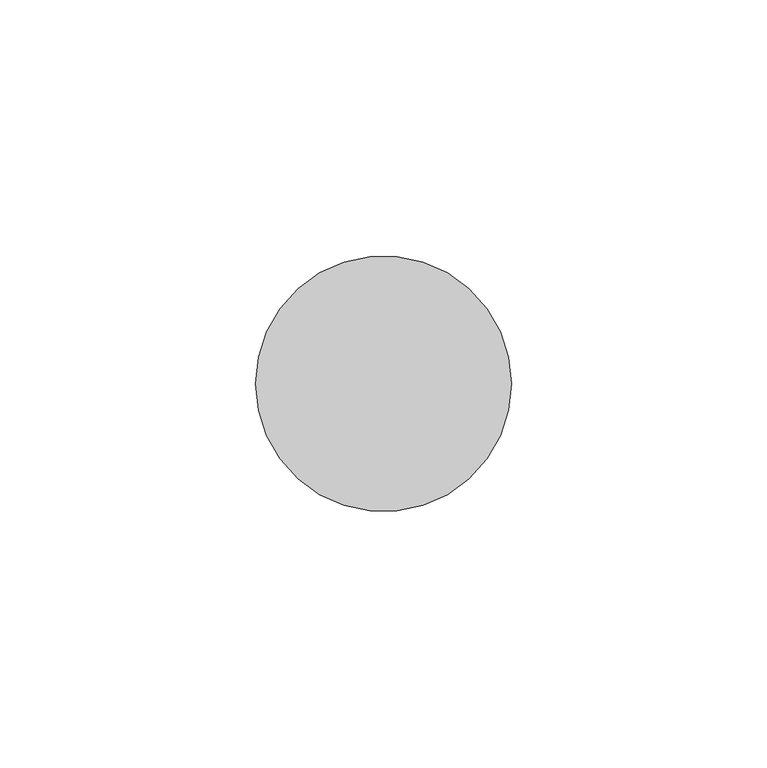
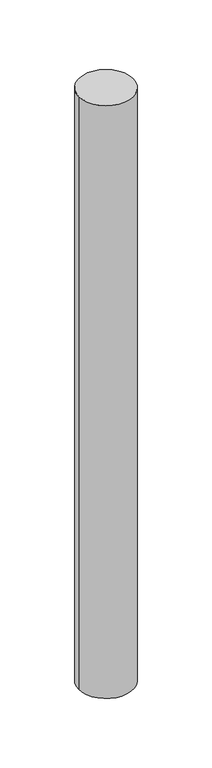
"""IFC4 building model written with IfcOpenShell, lengths in millimetres: member geometry."""

from ifc_helpers import new_model, si_unit, point, frame, origin, origin_2d, place, context, project, spatial, circle_curve, trimmed, segment, composite_curve, outline, extrude, source, transform, mapped, element, save


def member_ee32a547(model_context):
    return source(origin(), model_context, "Body", "SweptSolid", [
        extrude(outline(composite_curve([segment(trimmed(circle_curve(origin_2d(), 25.0), [point((25.0, 0.0))], [point((-25.0, 0.0))], False, "CARTESIAN"), True, "CONTINUOUS"), segment(trimmed(circle_curve(origin_2d(), 25.0), [point((-25.0, 0.0))], [point((25.0, 0.0))], False, "CARTESIAN"), True, "CONTINUOUS")], self_intersect=False)), frame((0.0, 0.0, -575.0), z_axis=(0.0, 0.0, 1.0), x_axis=(1.0, 0.0, 0.0)), (0.0, 0.0, 1.0), 575.0),
    ])


if __name__ == "__main__":
    model = new_model("IFC4")
    model_context = context("Model", 3, world=origin())
    ifc_project = project(units=[si_unit("LENGTHUNIT", "METRE", prefix="MILLI")], contexts=[model_context])
    site = spatial("IfcSite", under=ifc_project)
    building = spatial("IfcBuilding", under=site)
    placement = place(None, origin())
    member_shape = member_ee32a547(model_context)
    element("IfcMember", 1, at=placement, inside=building, context=model_context, shape_type="MappedRepresentation", body=[
        mapped(member_shape, transform((0.0, 0.0, 0.0), x_axis=(1.0, 0.0, 0.0), y_axis=(0.0, 1.0, 0.0), z_axis=(0.0, 0.0, 1.0))),
    ])
    save(model, "model.ifc")
